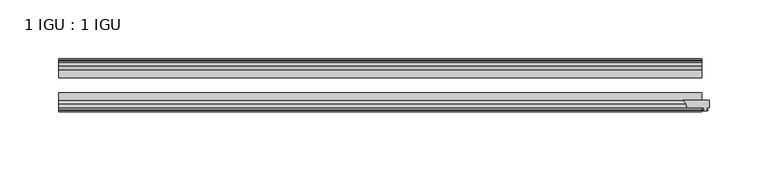
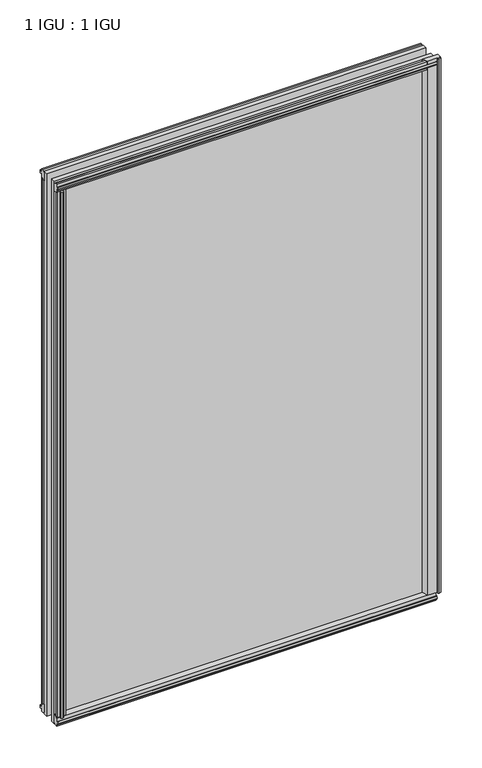
"""IFC4 building model written with IfcOpenShell, lengths in millimetres: plate geometry, 1 IGU : 1 IGU."""

from ifc_helpers import new_model, si_unit, point, frame, frame_2d, origin, origin_with_axes, place, context, project, spatial, polyline, circle_curve, trimmed, segment, composite_curve, outline, extrude, source, transform, mapped, element, save


def plate_1_igu_1_igu_8708797b(model_context):
    return source(origin(), model_context, "Body", "SweptSolid", [
        extrude(outline(composite_curve([segment(polyline([(256.8614314, -44.9460938), (279.4, -44.9460938), (279.4, -51.2960938), (277.495, -51.2960938), (277.1775, -53.4006957), (278.3834059, -53.0775742), (278.3834059, -53.8927506), (276.225, -54.4710938), (274.0665941, -53.8927506), (274.0665941, -53.0775742), (275.2725, -53.4006957), (274.955, -51.2960938), (260.35, -51.2960938)]), True, "CONTINUOUS"), segment(trimmed(circle_curve(frame_2d((252.9115021, -51.2493858)), 7.4386445), [point((260.35, -51.2960938))], [point((256.8614314, -44.9460938))], True, "CARTESIAN"), True, "CONTINUOUS")], self_intersect=False)), origin_with_axes(), (0.0, 0.0, 1.0), 812.7872998),
        extrude(outline(polyline([(258.7642137, -19.5460937), (260.8694908, -13.1960937), (266.0766852, -13.1960937), (266.4576852, -10.8158968), (265.0421562, -11.27583), (265.0421562, -10.4746158), (267.2196852, -9.7670937), (269.3972143, -10.4746158), (269.3972143, -11.27583), (267.9816852, -10.8158968), (268.3626852, -13.1960937), (272.8076852, -13.1960937), (272.8076852, -16.1419073), (270.5946077, -19.5460937), (258.7642137, -19.5460937)])), origin_with_axes(), (0.0, 0.0, 1.0), 800.1),
        extrude(outline(polyline([(-258.7642137, -19.5460937), (-270.5946077, -19.5460937), (-272.8076852, -16.1419073), (-272.8076852, -13.1960937), (-268.3626852, -13.1960937), (-267.9816852, -10.8158968), (-269.3972143, -11.27583), (-269.3972143, -10.4746158), (-267.2196852, -9.7670937), (-265.0421562, -10.4746158), (-265.0421562, -11.27583), (-266.4576852, -10.8158968), (-266.0766852, -13.1960937), (-260.8694908, -13.1960937), (-258.7642137, -19.5460937)])), origin_with_axes(), (0.0, 0.0, 1.0), 800.1),
        extrude(outline(polyline([(-16.1419073, -12.4576852), (-19.5460937, -10.2446077), (-19.5460937, 1.5857863), (-13.1960937, -0.5194908), (-13.1960937, -5.7266852), (-10.8158968, -6.1076852), (-11.27583, -4.6921562), (-10.4746158, -4.6921562), (-9.7670937, -6.8696852), (-10.4746158, -9.0472143), (-11.27583, -9.0472143), (-10.8158968, -7.6316852), (-13.1960937, -8.0126852), (-13.1960937, -12.4576852), (-16.1419073, -12.4576852)])), frame((-273.05, 0.0, 0.0), z_axis=(1.0, 0.0, 0.0), x_axis=(0.0, 1.0, 0.0)), (0.0, 0.0, 1.0), 546.1),
        extrude(outline(polyline([(-48.3502802, -11.938), (-51.2960937, -11.938), (-51.2960937, -7.493), (-53.6762907, -7.112), (-53.2163575, -8.5275291), (-54.0175717, -8.5275291), (-54.7250937, -6.35), (-54.0175717, -4.172471), (-53.2163575, -4.172471), (-53.6762907, -5.588), (-51.2960937, -5.207), (-51.2960937, 0.0001944), (-44.9460937, 2.1054715), (-44.9460937, -9.7249225), (-48.3502802, -11.938)])), frame((-273.05, 0.0, 0.0), z_axis=(1.0, 0.0, 0.0), x_axis=(0.0, 1.0, 0.0)), (0.0, 0.0, 1.0), 546.1),
        extrude(outline(polyline([(-16.1028367, 812.5576852), (-13.1960937, 812.5576852), (-13.1960937, 808.1126852), (-10.8158968, 807.7316852), (-11.27583, 809.1472143), (-10.4746158, 809.1472143), (-9.7670937, 806.9696852), (-10.4746158, 804.7921562), (-11.27583, 804.7921562), (-10.8158968, 806.2076852), (-13.1960937, 805.8266852), (-13.1960937, 800.5940908), (-19.5460937, 798.4888137), (-19.5460937, 810.3192077), (-16.1028367, 812.5576852)])), frame((-273.05, 0.0, 0.0), z_axis=(1.0, 0.0, 0.0), x_axis=(0.0, 1.0, 0.0)), (0.0, 0.0, 1.0), 546.1),
        extrude(outline(polyline([(-48.3893508, 812.0126), (-44.9460937, 809.7741225), (-44.9460937, 797.9437285), (-51.2960937, 800.0490056), (-51.2960937, 805.2816), (-53.6762907, 805.6626), (-53.2163575, 804.247071), (-54.0175717, 804.247071), (-54.7250938, 806.4246), (-54.0175717, 808.6021291), (-53.2163575, 808.6021291), (-53.6762907, 807.1866), (-51.2960937, 807.5676), (-51.2960937, 812.0126), (-48.3893508, 812.0126)])), frame((-273.05, 0.0, 0.0), z_axis=(1.0, 0.0, 0.0), x_axis=(0.0, 1.0, 0.0)), (0.0, 0.0, 1.0), 546.1),
        extrude(outline(polyline([(-258.2445285, -44.9460938), (-260.3498056, -51.2960938), (-265.557, -51.2960938), (-265.938, -53.6762907), (-264.522471, -53.2163575), (-264.522471, -54.0175717), (-266.7, -54.7250938), (-268.8775291, -54.0175717), (-268.8775291, -53.2163575), (-267.462, -53.6762907), (-267.843, -51.2960938), (-272.288, -51.2960938), (-272.288, -48.3502802), (-270.0749225, -44.9460938), (-258.2445285, -44.9460938)])), origin_with_axes(), (0.0, 0.0, 1.0), 800.1),
        extrude(outline(polyline([(273.05, -19.5460937), (273.05, -25.8337453), (-273.05, -25.8337453), (-273.05, -19.5460937), (273.05, -19.5460937)])), frame((0.0, 0.0, -12.7), z_axis=(0.0, 0.0, 1.0), x_axis=(1.0, 0.0, 0.0)), (0.0, 0.0, 1.0), 825.4872998),
        extrude(outline(polyline([(-273.05, -44.9460937), (-273.05, -38.6468938), (273.05, -38.6468938), (273.05, -44.9460937), (-273.05, -44.9460937)])), frame((0.0, 0.0, -12.7), z_axis=(0.0, 0.0, 1.0), x_axis=(1.0, 0.0, 0.0)), (0.0, 0.0, 1.0), 825.4872998),
    ])


if __name__ == "__main__":
    model = new_model("IFC4")
    model_context = context("Model", 3, world=origin())
    ifc_project = project(units=[si_unit("LENGTHUNIT", "METRE", prefix="MILLI")], contexts=[model_context])
    site = spatial("IfcSite", under=ifc_project)
    building = spatial("IfcBuilding", under=site)
    placement = place(None, origin())
    plate_1_igu_1_igu_shape = plate_1_igu_1_igu_8708797b(model_context)
    element("IfcPlate", 1, ObjectType="1 IGU : 1 IGU", at=placement, inside=building, context=model_context, shape_type="MappedRepresentation", body=[
        mapped(plate_1_igu_1_igu_shape, transform((0.0, 0.0, 0.0), x_axis=(1.0, 0.0, 0.0), y_axis=(0.0, 1.0, 0.0), z_axis=(0.0, 0.0, 1.0))),
    ])
    save(model, "model.ifc")
